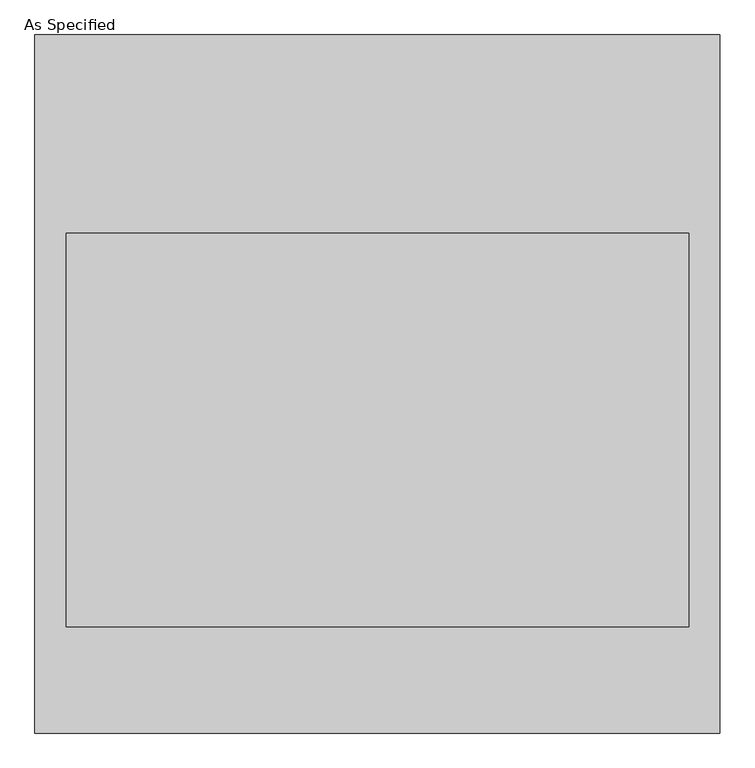
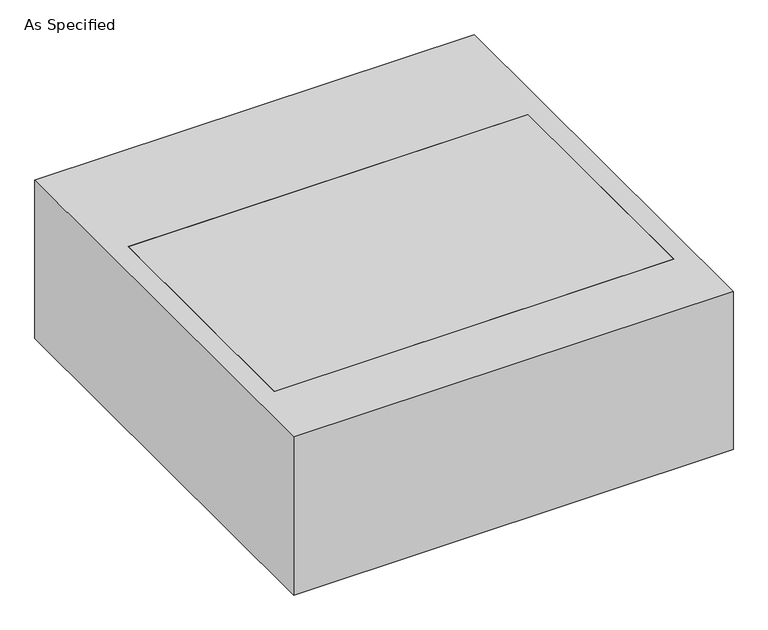
"""IFC4 building model written with IfcOpenShell, lengths in millimetres: proxy geometry, As Specified."""

from ifc_helpers import new_model, si_unit, frame, origin, place, context, project, spatial, polyline, outline, extrude, source, transform, mapped, element, save


def as_specified_c0634f52(model_context):
    return source(origin(), model_context, "Body", "SweptSolid", [
        extrude(outline(polyline([(-663.575, -676.275), (-663.575, 676.275), (663.575, 676.275), (663.575, -676.275), (-663.575, -676.275)]), holes=[polyline([(603.25, 292.1), (-603.25, 292.1), (-603.25, -469.9), (603.25, -469.9), (603.25, 292.1)])]), frame((0.0, 0.0, -530.225), z_axis=(0.0, 0.0, 1.0), x_axis=(1.0, 0.0, 0.0)), (0.0, 0.0, 1.0), 504.825),
        extrude(outline(polyline([(603.25, 292.1), (603.25, -469.9), (-603.25, -469.9), (-603.25, 292.1), (603.25, 292.1)])), frame((0.0, 0.0, -530.225), z_axis=(0.0, 0.0, 1.0), x_axis=(1.0, 0.0, 0.0)), (0.0, 0.0, 1.0), 504.825),
    ])


if __name__ == "__main__":
    model = new_model("IFC4")
    model_context = context("Model", 3, world=origin())
    ifc_project = project(units=[si_unit("LENGTHUNIT", "METRE", prefix="MILLI")], contexts=[model_context])
    site = spatial("IfcSite", under=ifc_project)
    building = spatial("IfcBuilding", under=site)
    placement = place(None, origin())
    as_specified_shape = as_specified_c0634f52(model_context)
    element("IfcBuildingElementProxy", 1, Name="As Specified", ObjectType="As Specified", at=placement, inside=building, context=model_context, shape_type="MappedRepresentation", body=[
        mapped(as_specified_shape, transform((0.0, 0.0, 0.0), x_axis=(1.0, 0.0, 0.0), y_axis=(0.0, 1.0, 0.0), z_axis=(0.0, 0.0, 1.0))),
    ])
    save(model, "model.ifc")
